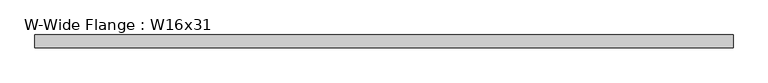
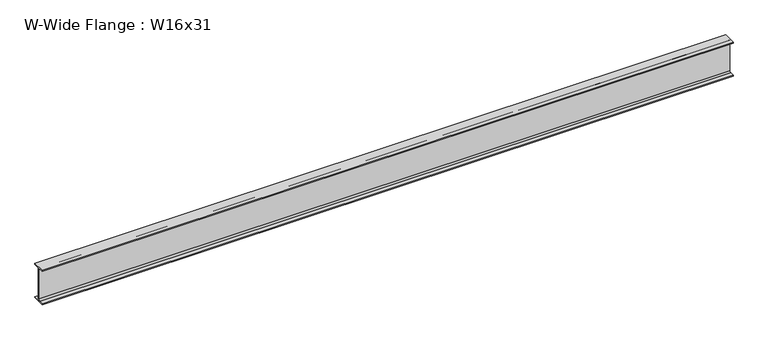
"""IFC4 building model written with IfcOpenShell, lengths in millimetres: beam geometry, W-Wide Flange : W16x31."""

from ifc_helpers import new_model, si_unit, point, frame, frame_2d, origin, place, context, project, spatial, polyline, circle_curve, trimmed, segment, composite_curve, outline, extrude, source, transform, mapped, element, save


def w_wide_flange_w16x31_fc009a37(model_context):
    return source(origin(), model_context, "Body", "SweptSolid", [
        extrude(outline(composite_curve([segment(polyline([(70.231, -190.754), (70.231, -201.93), (-70.231, -201.93), (-70.231, -190.754), (-20.8915, -190.754)]), True, "CONTINUOUS"), segment(trimmed(circle_curve(frame_2d((-20.8915, -173.355)), 17.399), [point((-20.8915, -190.754))], [point((-3.4925, -173.355))], True, "CARTESIAN"), True, "CONTINUOUS"), segment(polyline([(-3.4925, -173.355), (-3.4925, 173.355)]), True, "CONTINUOUS"), segment(trimmed(circle_curve(frame_2d((-20.8915, 173.355)), 17.399), [point((-3.4925, 173.355))], [point((-20.8915, 190.754))], True, "CARTESIAN"), True, "CONTINUOUS"), segment(polyline([(-20.8915, 190.754), (-70.231, 190.754), (-70.231, 201.93), (70.231, 201.93), (70.231, 190.754), (20.8915, 190.754)]), True, "CONTINUOUS"), segment(trimmed(circle_curve(frame_2d((20.8915, 173.355)), 17.399), [point((20.8915, 190.754))], [point((3.4925, 173.355))], True, "CARTESIAN"), True, "CONTINUOUS"), segment(polyline([(3.4925, 173.355), (3.4925, -173.355)]), True, "CONTINUOUS"), segment(trimmed(circle_curve(frame_2d((20.8915, -173.355)), 17.399), [point((3.4925, -173.355))], [point((20.8915, -190.754))], True, "CARTESIAN"), True, "CONTINUOUS"), segment(polyline([(20.8915, -190.754), (70.231, -190.754)]), True, "CONTINUOUS")], self_intersect=False)), frame((-3847.973, 0.0, 0.0), z_axis=(1.0, 0.0, 0.0), x_axis=(0.0, 1.0, 0.0)), (0.0, 0.0, 1.0), 7695.946),
    ])


if __name__ == "__main__":
    model = new_model("IFC4")
    model_context = context("Model", 3, world=origin())
    ifc_project = project(units=[si_unit("LENGTHUNIT", "METRE", prefix="MILLI")], contexts=[model_context])
    site = spatial("IfcSite", under=ifc_project)
    building = spatial("IfcBuilding", under=site)
    placement = place(None, origin())
    w_wide_flange_w16x31_shape = w_wide_flange_w16x31_fc009a37(model_context)
    element("IfcBeam", 1, ObjectType="W-Wide Flange : W16x31", at=placement, inside=building, context=model_context, shape_type="MappedRepresentation", body=[
        mapped(w_wide_flange_w16x31_shape, transform((0.0, 0.0, 0.0), x_axis=(1.0, 0.0, 0.0), y_axis=(0.0, 1.0, 0.0), z_axis=(0.0, 0.0, 1.0))),
    ])
    save(model, "model.ifc")
